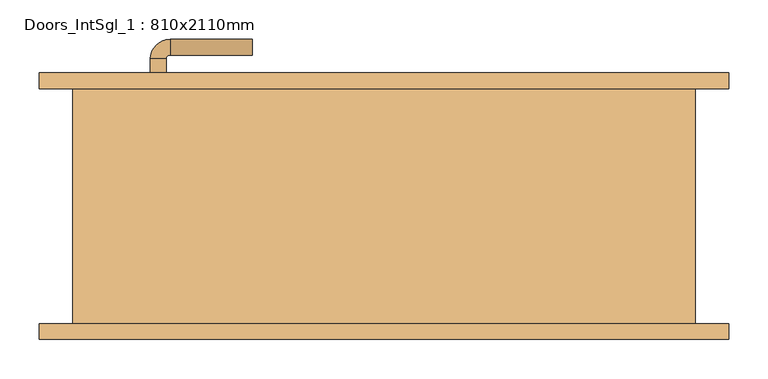
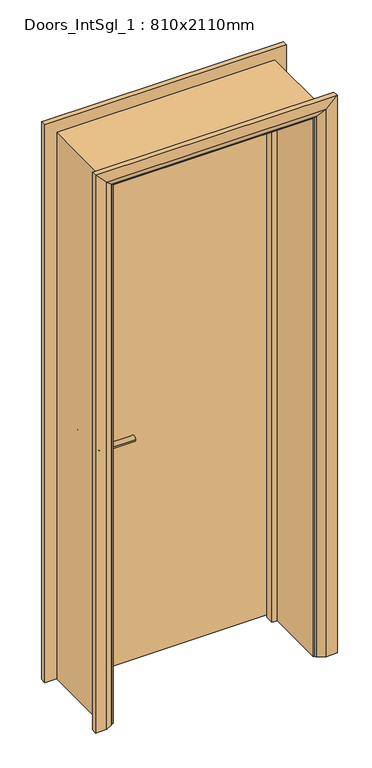
"""IFC4 building model written with IfcOpenShell, lengths in millimetres: door geometry, Doors_IntSgl_1 : 810x2110mm."""

from ifc_helpers import new_model, si_unit, point, frame, frame_2d, origin, place, context, project, spatial, polyline, circle_curve, ellipse_curve, trimmed, segment, composite_curve, outline, extrude, faceted_brep, source, transform, mapped, element, save
from ifc_brep_helpers import plane_surface, cylinder_surface, revolved_surface, advanced_brep


def doors_intsgl_1_810x2110mm_ff7fee00(model_context):
    return source(origin(), model_context, "Body", "SolidModel", [
        advanced_brep(
        [(-298.0, 104.0, 900.0), (-278.0, 104.0, 900.0), (-278.0, 74.0, 900.0), (-298.0, 74.0, 900.0), (-273.0, 69.0, 900.0), (-273.0, 49.0, 900.0), (-168.0, 49.0, 900.0), (-168.0, 69.0, 900.0)],
        [
            (0, 1, circle_curve(frame((-288.0, 104.0, 900.0), z_axis=(0.0, 1.0, 0.0), x_axis=(1.0, 0.0, 0.0)), 10.0)),
            (1, 0, circle_curve(frame((-288.0, 104.0, 900.0), z_axis=(0.0, 1.0, 0.0), x_axis=(1.0, 0.0, 0.0)), 10.0)),
            (1, 2),
            (2, 3, circle_curve(frame((-288.0, 74.0, 900.0), z_axis=(0.0, 1.0, 0.0), x_axis=(1.0, 0.0, 0.0)), 10.0)),
            (3, 0),
            (3, 2, circle_curve(frame((-288.0, 74.0, 900.0), z_axis=(0.0, 1.0, 0.0), x_axis=(1.0, 0.0, 0.0)), 10.0)),
            (4, 5, circle_curve(frame((-273.0, 59.0, 900.0), z_axis=(-1.0, 0.0, 0.0), x_axis=(0.0, 1.0, 0.0)), 10.0)),
            (5, 3, circle_curve(frame((-273.0, 74.0, 900.0), z_axis=(0.0, 0.0, -1.0), x_axis=(-1.0, 0.0, 0.0)), 25.0)),
            (2, 4, circle_curve(frame((-273.0, 74.0, 900.0), z_axis=(0.0, 0.0, 1.0), x_axis=(-1.0, 0.0, 0.0)), 5.0)),
            (5, 4, circle_curve(frame((-273.0, 59.0, 900.0), z_axis=(-1.0, 0.0, 0.0), x_axis=(0.0, 1.0, 0.0)), 10.0)),
            (6, 7, circle_curve(frame((-168.0, 59.0, 900.0), z_axis=(1.0, 0.0, 0.0), x_axis=(0.0, 1.0, 0.0)), 10.0)),
            (7, 6, circle_curve(frame((-168.0, 59.0, 900.0), z_axis=(1.0, 0.0, 0.0), x_axis=(0.0, 1.0, 0.0)), 10.0)),
            (4, 7),
            (6, 5),
        ],
        [
            plane_surface(frame((-288.0, 104.0, 900.0), z_axis=(0.0, 1.0, 0.0), x_axis=(0.0, 0.0, 1.0))),
            cylinder_surface(frame((-288.0, 104.0, 900.0), z_axis=(0.0, 1.0, 0.0), x_axis=(1.0, 0.0, 0.0)), 10.0),
            revolved_surface(trimmed(ellipse_curve(frame((-288.0, 74.0, 900.0), z_axis=(0.0, -1.0, 0.0), x_axis=(1.0, 0.0, 0.0)), 10.0, 10.0), [point((-298.0, 74.0, 900.0))], [point((-278.0, 74.0, 900.0))], True, "CARTESIAN"), (-273.0, 74.0, 900.0), (0.0, 0.0, -1.0)),
            revolved_surface(trimmed(ellipse_curve(frame((-288.0, 74.0, 900.0), z_axis=(0.0, -1.0, 0.0), x_axis=(1.0, 0.0, 0.0)), 10.0, 10.0), [point((-278.0, 74.0, 900.0))], [point((-298.0, 74.0, 900.0))], True, "CARTESIAN"), (-273.0, 74.0, 900.0), (0.0, 0.0, -1.0)),
            plane_surface(frame((-168.0, 59.0, 900.0), z_axis=(1.0, 0.0, 0.0), x_axis=(0.0, 0.0, 1.0))),
            cylinder_surface(frame((-273.0, 59.0, 900.0), z_axis=(-1.0, 0.0, 0.0), x_axis=(0.0, 1.0, 0.0)), 10.0),
        ],
        [
            (0, [[1, 2]]),
            (1, [[3, 4, 5, -2]]),
            (1, [[-5, 6, -3, -1]]),
            (2, [[7, 8, -4, 9]]),
            (3, [[10, -9, -6, -8]]),
            (4, [[11, 12]]),
            (5, [[13, -11, 14, -7]]),
            (5, [[-14, -12, -13, -10]]),
        ],
    ),
        extrude(outline(composite_curve([segment(trimmed(circle_curve(frame_2d((900.0, -290.5)), 30.0), [point((900.0, -320.5))], [point((900.0, -260.5))], False, "CARTESIAN"), True, "CONTINUOUS"), segment(trimmed(circle_curve(frame_2d((900.0, -290.5)), 30.0), [point((900.0, -260.5))], [point((900.0, -320.5))], False, "CARTESIAN"), True, "CONTINUOUS")], self_intersect=False)), frame((0.0, 104.0, 0.0), z_axis=(0.0, 1.0, 0.0), x_axis=(0.0, 0.0, 1.0)), (0.0, 0.0, 1.0), 8.0),
        advanced_brep(
        [(-298.0, 158.0, 900.0), (-278.0, 158.0, 900.0), (-298.0, 188.0, 900.0), (-278.0, 188.0, 900.0), (-273.0, 193.0, 900.0), (-273.0, 213.0, 900.0), (-168.0, 213.0, 900.0), (-168.0, 193.0, 900.0)],
        [
            (0, 1, circle_curve(frame((-288.0, 158.0, 900.0), z_axis=(0.0, -1.0, 0.0), x_axis=(1.0, 0.0, 0.0)), 10.0)),
            (1, 0, circle_curve(frame((-288.0, 158.0, 900.0), z_axis=(0.0, -1.0, 0.0), x_axis=(1.0, 0.0, 0.0)), 10.0)),
            (0, 2),
            (2, 3, circle_curve(frame((-288.0, 188.0, 900.0), z_axis=(0.0, -1.0, 0.0), x_axis=(1.0, 0.0, 0.0)), 10.0)),
            (3, 1),
            (3, 2, circle_curve(frame((-288.0, 188.0, 900.0), z_axis=(0.0, -1.0, 0.0), x_axis=(1.0, 0.0, 0.0)), 10.0)),
            (4, 3, circle_curve(frame((-273.0, 188.0, 900.0), z_axis=(0.0, 0.0, 1.0), x_axis=(-1.0, 0.0, 0.0)), 5.0)),
            (2, 5, circle_curve(frame((-273.0, 188.0, 900.0), z_axis=(0.0, 0.0, -1.0), x_axis=(-1.0, 0.0, 0.0)), 25.0)),
            (5, 4, circle_curve(frame((-273.0, 203.0, 900.0), z_axis=(-1.0, 0.0, 0.0), x_axis=(0.0, -1.0, 0.0)), 10.0)),
            (4, 5, circle_curve(frame((-273.0, 203.0, 900.0), z_axis=(-1.0, 0.0, 0.0), x_axis=(0.0, -1.0, 0.0)), 10.0)),
            (6, 7, circle_curve(frame((-168.0, 203.0, 900.0), z_axis=(1.0, 0.0, 0.0), x_axis=(0.0, -1.0, 0.0)), 10.0)),
            (7, 6, circle_curve(frame((-168.0, 203.0, 900.0), z_axis=(1.0, 0.0, 0.0), x_axis=(0.0, -1.0, 0.0)), 10.0)),
            (5, 6),
            (7, 4),
        ],
        [
            plane_surface(frame((-288.0, 158.0, 900.0), z_axis=(0.0, -1.0, 0.0), x_axis=(0.0, 0.0, 1.0))),
            cylinder_surface(frame((-288.0, 158.0, 900.0), z_axis=(0.0, -1.0, 0.0), x_axis=(1.0, 0.0, 0.0)), 10.0),
            revolved_surface(trimmed(ellipse_curve(frame((-288.0, 188.0, 900.0), z_axis=(0.0, -1.0, 0.0), x_axis=(1.0, 0.0, 0.0)), 10.0, 10.0), [point((-298.0, 188.0, 900.0))], [point((-278.0, 188.0, 900.0))], True, "CARTESIAN"), (-273.0, 188.0, 900.0), (0.0, 0.0, -1.0)),
            revolved_surface(trimmed(ellipse_curve(frame((-288.0, 188.0, 900.0), z_axis=(0.0, -1.0, 0.0), x_axis=(1.0, 0.0, 0.0)), 10.0, 10.0), [point((-278.0, 188.0, 900.0))], [point((-298.0, 188.0, 900.0))], True, "CARTESIAN"), (-273.0, 188.0, 900.0), (0.0, 0.0, -1.0)),
            plane_surface(frame((-168.0, 203.0, 900.0), z_axis=(1.0, 0.0, 0.0), x_axis=(0.0, 0.0, 1.0))),
            cylinder_surface(frame((-273.0, 203.0, 900.0), z_axis=(-1.0, 0.0, 0.0), x_axis=(0.0, -1.0, 0.0)), 10.0),
        ],
        [
            (0, [[1, 2]]),
            (1, [[-1, 3, 4, 5]]),
            (1, [[-2, -5, 6, -3]]),
            (2, [[7, -4, 8, 9]]),
            (3, [[-8, -6, -7, 10]]),
            (4, [[11, 12]]),
            (5, [[-9, 13, -12, 14]]),
            (5, [[-10, -14, -11, -13]]),
        ],
    ),
        extrude(outline(composite_curve([segment(trimmed(circle_curve(frame_2d((900.0, -290.5)), 30.0), [point((900.0, -320.5))], [point((900.0, -260.5))], False, "CARTESIAN"), True, "CONTINUOUS"), segment(trimmed(circle_curve(frame_2d((900.0, -290.5)), 30.0), [point((900.0, -260.5))], [point((900.0, -320.5))], False, "CARTESIAN"), True, "CONTINUOUS")], self_intersect=False)), frame((0.0, 150.0, 0.0), z_axis=(0.0, 1.0, 0.0), x_axis=(0.0, 0.0, 1.0)), (0.0, 0.0, 1.0), 8.0),
        extrude(outline(polyline([(363.0, 112.0), (-363.0, 112.0), (-363.0, 150.0), (363.0, 150.0), (363.0, 112.0)])), frame((0.0, 0.0, 8.0), z_axis=(0.0, 0.0, 1.0), x_axis=(1.0, 0.0, 0.0)), (0.0, 0.0, 1.0), 2060.0),
        advanced_brep(
        [(440.0, 170.0, 0.0), (440.0, 150.0, 0.0), (370.0, 150.0, 0.0), (374.0, 156.0, 0.0), (400.0, 170.0, 0.0), (440.0, 170.0, 2145.0), (440.0, 150.0, 2145.0), (-440.0, 150.0, 2145.0), (-440.0, 150.0, 0.0), (-370.0, 150.0, 0.0), (-370.0, 150.0, 2075.0), (370.0, 150.0, 2075.0), (374.0, 156.0, 2079.0), (400.0, 170.0, 2105.0), (-400.0, 170.0, 2105.0), (-400.0, 170.0, 0.0), (-440.0, 170.0, 0.0), (-440.0, 170.0, 2145.0), (-374.0, 156.0, 0.0), (-374.0, 156.0, 2079.0)],
        [
            (0, 1),
            (1, 2),
            (2, 3, circle_curve(frame((378.0, 149.0, 0.0), z_axis=(0.0, 0.0, -1.0), x_axis=(1.0, 0.0, 0.0)), 8.0622577)),
            (3, 4),
            (4, 0),
            (0, 5),
            (5, 6),
            (6, 1),
            (6, 7),
            (7, 8),
            (8, 9),
            (9, 10),
            (10, 11),
            (11, 2),
            (11, 12, ellipse_curve(frame((378.0, 149.0, 2083.0), z_axis=(0.7071067811865475, 0.0, -0.7071067811865475), x_axis=(-0.7071067811865474, 0.0, -0.7071067811865476)), 11.4017543, 8.0622577)),
            (12, 3),
            (12, 13),
            (13, 4),
            (13, 14),
            (14, 15),
            (15, 16),
            (16, 17),
            (17, 5),
            (7, 17),
            (16, 8),
            (15, 18),
            (18, 9, circle_curve(frame((-378.0, 149.0, 0.0), z_axis=(0.0, 0.0, -1.0), x_axis=(-1.0, 0.0, 0.0)), 8.0622577)),
            (19, 10, ellipse_curve(frame((-378.0, 149.0, 2083.0), z_axis=(-0.7071067811865475, 0.0, -0.7071067811865475), x_axis=(-0.7071067811865474, 0.0, 0.7071067811865476)), 11.4017543, 8.0622577)),
            (18, 19),
            (14, 19),
            (19, 12),
        ],
        [
            plane_surface(frame((370.0, 150.0, 0.0), z_axis=(0.0, 0.0, -1.0), x_axis=(0.0, -1.0, 0.0))),
            plane_surface(frame((440.0, 170.0, 0.0), z_axis=(1.0, 0.0, 0.0), x_axis=(0.0, 0.0, 1.0))),
            plane_surface(frame((440.0, 150.0, 0.0), z_axis=(0.0, -1.0, 0.0), x_axis=(0.0, 0.0, 1.0))),
            cylinder_surface(frame((378.0, 149.0, 0.0), z_axis=(0.0, 0.0, -1.0), x_axis=(1.0, 0.0, 0.0)), 8.0622577),
            plane_surface(frame((374.0, 156.0, 0.0), z_axis=(-0.4740998230350126, 0.880471099922178, 0.0), x_axis=(0.0, 0.0, 1.0))),
            plane_surface(frame((400.0, 170.0, 0.0), z_axis=(0.0, 1.0, 0.0), x_axis=(0.0, 0.0, 1.0))),
            plane_surface(frame((-440.0, 170.0, 2145.0), z_axis=(-1.0, 0.0, 0.0), x_axis=(0.0, 0.0, -1.0))),
            plane_surface(frame((-370.0, 150.0, 0.0), z_axis=(0.0, 0.0, -1.0), x_axis=(0.0, -1.0, 0.0))),
            cylinder_surface(frame((-378.0, 149.0, 2075.0), z_axis=(0.0, 0.0, 1.0), x_axis=(-1.0, 0.0, 0.0)), 8.0622577),
            plane_surface(frame((-374.0, 156.0, 2079.0), z_axis=(0.47409982303501824, 0.8804710999221749, 0.0), x_axis=(0.0, 0.0, -1.0))),
            plane_surface(frame((440.0, 170.0, 2145.0), z_axis=(0.0, 0.0, 1.0), x_axis=(-1.0, 0.0, 0.0))),
            cylinder_surface(frame((370.0, 149.0, 2083.0), z_axis=(1.0, 0.0, 0.0), x_axis=(0.0, 0.0, 1.0)), 8.0622577),
            plane_surface(frame((374.0, 156.0, 2079.0), z_axis=(0.0, 0.8804710999221764, -0.4740998230350154), x_axis=(-1.0, 0.0, 0.0))),
        ],
        [
            (0, [[1, 2, 3, 4, 5]]),
            (1, [[-1, 6, 7, 8]]),
            (2, [[-2, -8, 9, 10, 11, 12, 13, 14]]),
            (3, [[-3, -14, 15, 16]]),
            (4, [[-4, -16, 17, 18]]),
            (5, [[-5, -18, 19, 20, 21, 22, 23, -6]]),
            (6, [[24, -22, 25, -10]]),
            (7, [[-21, 26, 27, -11, -25]]),
            (8, [[28, -12, -27, 29]]),
            (9, [[30, -29, -26, -20]]),
            (10, [[-7, -23, -24, -9]]),
            (11, [[-15, -13, -28, 31]]),
            (12, [[-17, -31, -30, -19]]),
        ],
    ),
        extrude(outline(polyline([(0.0, -365.0), (0.0, -346.0), (2051.0, -346.0), (2051.0, 346.0), (0.0, 346.0), (0.0, 365.0), (2070.0, 365.0), (2070.0, -365.0), (0.0, -365.0)])), frame((0.0, 78.0, 0.0), z_axis=(0.0, 1.0, 0.0), x_axis=(0.0, 0.0, 1.0)), (0.0, 0.0, 1.0), 32.0),
        advanced_brep(
        [(-440.0, -170.0, 0.0), (-440.0, -150.0, 0.0), (-370.0, -150.0, 0.0), (-374.0, -156.0, 0.0), (-400.0, -170.0, 0.0), (-440.0, -170.0, 2145.0), (-440.0, -150.0, 2145.0), (-370.0, -150.0, 2075.0), (-374.0, -156.0, 2079.0), (-400.0, -170.0, 2105.0), (440.0, -170.0, 0.0), (400.0, -170.0, 0.0), (374.0, -156.0, 0.0), (370.0, -150.0, 0.0), (440.0, -150.0, 0.0), (440.0, -170.0, 2145.0), (400.0, -170.0, 2105.0), (374.0, -156.0, 2079.0), (370.0, -150.0, 2075.0), (440.0, -150.0, 2145.0)],
        [
            (0, 1),
            (1, 2),
            (2, 3, circle_curve(frame((-378.0, -149.0, 0.0), z_axis=(0.0, 0.0, -1.0), x_axis=(-1.0, 0.0, 0.0)), 8.0622577)),
            (3, 4),
            (4, 0),
            (0, 5),
            (5, 6),
            (6, 1),
            (6, 7),
            (7, 2),
            (7, 8, ellipse_curve(frame((-378.0, -149.0, 2083.0), z_axis=(-0.7071067811865475, 0.0, -0.7071067811865475), x_axis=(0.7071067811865474, 0.0, -0.7071067811865476)), 11.4017543, 8.0622577)),
            (8, 3),
            (8, 9),
            (9, 4),
            (9, 5),
            (10, 11),
            (11, 12),
            (12, 13, circle_curve(frame((378.0, -149.0, 0.0), z_axis=(0.0, 0.0, -1.0), x_axis=(1.0, 0.0, 0.0)), 8.0622577)),
            (13, 14),
            (14, 10),
            (15, 16),
            (16, 11),
            (10, 15),
            (16, 17),
            (17, 12),
            (17, 18, ellipse_curve(frame((378.0, -149.0, 2083.0), z_axis=(0.7071067811865475, 0.0, -0.7071067811865475), x_axis=(0.7071067811865474, 0.0, 0.7071067811865476)), 11.4017543, 8.0622577)),
            (18, 13),
            (18, 19),
            (19, 14),
            (19, 15),
            (5, 15),
            (19, 6),
            (18, 7),
            (17, 8),
            (16, 9),
        ],
        [
            plane_surface(frame((-370.0, -222.8010989, 0.0), z_axis=(0.0, 0.0, -1.0), x_axis=(1.0, 0.0, 0.0))),
            plane_surface(frame((-440.0, -170.0, 0.0), z_axis=(-1.0, 0.0, 0.0), x_axis=(0.0, 0.0, 1.0))),
            plane_surface(frame((-440.0, -150.0, 0.0), z_axis=(0.0, 1.0, 0.0), x_axis=(0.0, 0.0, 1.0))),
            cylinder_surface(frame((-378.0, -149.0, 0.0), z_axis=(0.0, 0.0, -1.0), x_axis=(-1.0, 0.0, 0.0)), 8.0622577),
            plane_surface(frame((-374.0, -156.0, 0.0), z_axis=(0.4740998230350183, -0.8804710999221749, 0.0), x_axis=(0.0, 0.0, 1.0))),
            plane_surface(frame((-400.0, -170.0, 0.0), z_axis=(0.0, -1.0, 0.0), x_axis=(0.0, 0.0, 1.0))),
            plane_surface(frame((370.0, -222.8010989, 0.0), z_axis=(0.0, 0.0, -1.0), x_axis=(-1.0, 0.0, 0.0))),
            plane_surface(frame((400.0, -170.0, 2105.0), z_axis=(0.0, -1.0, 0.0), x_axis=(0.0, 0.0, -1.0))),
            plane_surface(frame((374.0, -156.0, 2079.0), z_axis=(-0.4740998230350183, -0.8804710999221749, 0.0), x_axis=(0.0, 0.0, -1.0))),
            cylinder_surface(frame((378.0, -149.0, 2075.0), z_axis=(0.0, 0.0, 1.0), x_axis=(1.0, 0.0, 0.0)), 8.0622577),
            plane_surface(frame((440.0, -150.0, 2145.0), z_axis=(0.0, 1.0, 0.0), x_axis=(0.0, 0.0, -1.0))),
            plane_surface(frame((440.0, -170.0, 2145.0), z_axis=(1.0, 0.0, 0.0), x_axis=(0.0, 0.0, -1.0))),
            plane_surface(frame((-440.0, -170.0, 2145.0), z_axis=(0.0, 0.0, 1.0), x_axis=(1.0, 0.0, 0.0))),
            plane_surface(frame((-440.0, -150.0, 2145.0), z_axis=(0.0, 1.0, 0.0), x_axis=(1.0, 0.0, 0.0))),
            cylinder_surface(frame((-370.0, -149.0, 2083.0), z_axis=(-1.0, 0.0, 0.0), x_axis=(0.0, 0.0, 1.0)), 8.0622577),
            plane_surface(frame((-374.0, -156.0, 2079.0), z_axis=(0.0, -0.8804710999221749, -0.4740998230350183), x_axis=(1.0, 0.0, 0.0))),
            plane_surface(frame((-400.0, -170.0, 2105.0), z_axis=(0.0, -1.0, 0.0), x_axis=(1.0, 0.0, 0.0))),
        ],
        [
            (0, [[1, 2, 3, 4, 5]]),
            (1, [[-1, 6, 7, 8]]),
            (2, [[-2, -8, 9, 10]]),
            (3, [[-3, -10, 11, 12]]),
            (4, [[-4, -12, 13, 14]]),
            (5, [[-5, -14, 15, -6]]),
            (6, [[16, 17, 18, 19, 20]]),
            (7, [[21, 22, -16, 23]]),
            (8, [[24, 25, -17, -22]]),
            (9, [[26, 27, -18, -25]]),
            (10, [[28, 29, -19, -27]]),
            (11, [[30, -23, -20, -29]]),
            (12, [[-7, 31, -30, 32]]),
            (13, [[-9, -32, -28, 33]]),
            (14, [[-11, -33, -26, 34]]),
            (15, [[-13, -34, -24, 35]]),
            (16, [[-15, -35, -21, -31]]),
        ],
    ),
        faceted_brep([(-365.0, 150.0, 0.0), (-365.0, -150.0, 0.0), (-397.0, -150.0, 0.0), (-397.0, 150.0, 0.0), (-365.0, 150.0, 2070.0), (-365.0, -150.0, 2070.0), (-397.0, -150.0, 2102.0), (-397.0, 150.0, 2102.0), (365.0, 150.0, 0.0), (397.0, 150.0, 0.0), (397.0, -150.0, 0.0), (365.0, -150.0, 0.0), (365.0, 150.0, 2070.0), (397.0, 150.0, 2102.0), (397.0, -150.0, 2102.0), (365.0, -150.0, 2070.0)], [[[0, 1, 2, 3]], [[1, 0, 4, 5]], [[2, 1, 5, 6]], [[3, 2, 6, 7]], [[0, 3, 7, 4]], [[8, 9, 10, 11]], [[12, 13, 9, 8]], [[13, 14, 10, 9]], [[14, 15, 11, 10]], [[15, 12, 8, 11]], [[5, 4, 12, 15]], [[6, 5, 15, 14]], [[7, 6, 14, 13]], [[4, 7, 13, 12]]]),
    ])


if __name__ == "__main__":
    model = new_model("IFC4")
    model_context = context("Model", 3, world=origin())
    ifc_project = project(units=[si_unit("LENGTHUNIT", "METRE", prefix="MILLI")], contexts=[model_context])
    site = spatial("IfcSite", under=ifc_project)
    building = spatial("IfcBuilding", under=site)
    placement = place(None, origin())
    doors_intsgl_1_810x2110mm_shape = doors_intsgl_1_810x2110mm_ff7fee00(model_context)
    element("IfcDoor", 1, ObjectType="Doors_IntSgl_1 : 810x2110mm", at=placement, inside=building, context=model_context, shape_type="MappedRepresentation", body=[
        mapped(doors_intsgl_1_810x2110mm_shape, transform((0.0, 0.0, 0.0), x_axis=(1.0, 0.0, 0.0), y_axis=(0.0, 1.0, 0.0), z_axis=(0.0, 0.0, 1.0))),
    ])
    save(model, "model.ifc")
